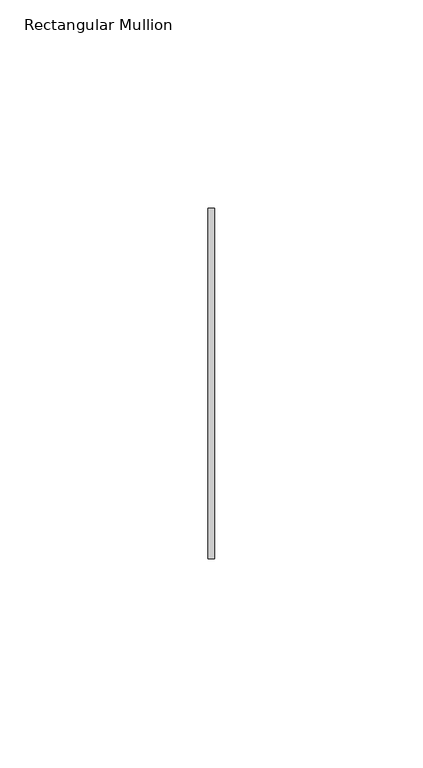
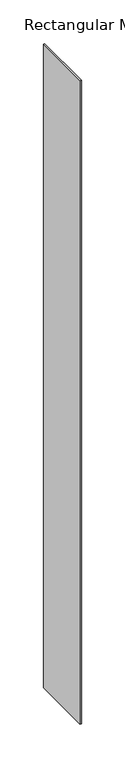
"""IFC4 building model written with IfcOpenShell, lengths in millimetres: member geometry, Rectangular Mullion."""

from ifc_helpers import new_model, si_unit, frame, origin, place, context, project, spatial, polyline, outline, extrude, source, transform, mapped, element, save


def rectangular_mullion_58672c0d(model_context):
    return source(origin(), model_context, "Body", "SweptSolid", [
        extrude(outline(polyline([(0.0, 42.06875), (0.0, -42.06875), (-1.5875, -42.06875), (-1.5875, 42.06875), (0.0, 42.06875)])), frame((0.0, 0.0, -900.43), z_axis=(0.0, 0.0, 1.0), x_axis=(1.0, 0.0, 0.0)), (0.0, 0.0, 1.0), 900.43),
    ])


if __name__ == "__main__":
    model = new_model("IFC4")
    model_context = context("Model", 3, world=origin())
    ifc_project = project(units=[si_unit("LENGTHUNIT", "METRE", prefix="MILLI")], contexts=[model_context])
    site = spatial("IfcSite", under=ifc_project)
    building = spatial("IfcBuilding", under=site)
    placement = place(None, origin())
    rectangular_mullion_shape = rectangular_mullion_58672c0d(model_context)
    element("IfcMember", 1, ObjectType="Rectangular Mullion", at=placement, inside=building, context=model_context, shape_type="MappedRepresentation", body=[
        mapped(rectangular_mullion_shape, transform((0.0, 0.0, 0.0), x_axis=(1.0, 0.0, 0.0), y_axis=(0.0, 1.0, 0.0), z_axis=(0.0, 0.0, 1.0))),
    ])
    save(model, "model.ifc")
